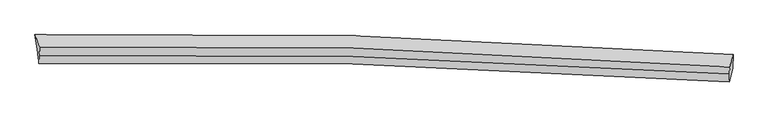
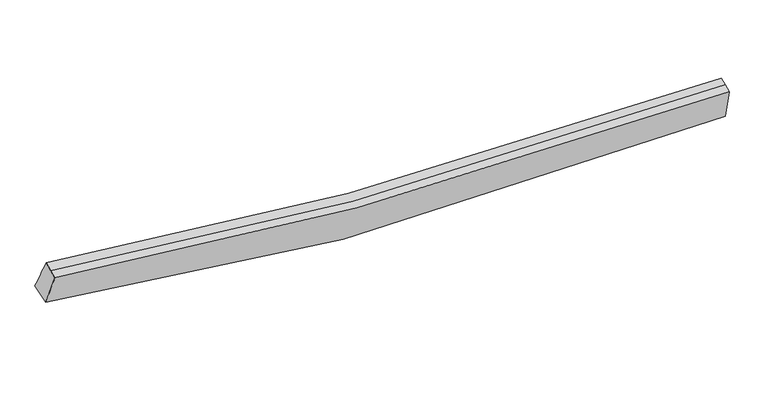
"""IFC4 building model written with IfcOpenShell, lengths in millimetres: proxy geometry."""

from ifc_helpers import new_model, si_unit, frame, origin, place, context, project, spatial, source, transform, mapped, element, save
from ifc_brep_helpers import plane_surface, spline_curve, spline_surface, advanced_brep


def generic_models_cd63080a(model_context):
    return source(origin(), model_context, "Body", "AdvancedBrep", [
        advanced_brep(
        [(-6462.2642201, -1939.0607144, 3092.2541169), (-6514.9710249, -1632.7043846, 3295.4993978), (7815.2685111, -2038.7050633, 2724.4670399), (7809.7171865, -2322.3591472, 2529.1863612), (-6434.1866397, -2226.7464886, 3809.1265601), (7734.7030553, -2607.3034632, 3272.9468179), (-6427.3680453, -2063.6838313, 3872.2856967), (7741.5216497, -2444.2408059, 3336.1059545), (-6419.965, -1886.6443747, 3940.8584736), (7747.7557931, -2295.1549477, 3393.8514509)],
        [
            (0, 1),
            (1, 2, spline_curve(3, [(-6514.9710249, -1632.7043846, 3295.4993978), (-4364.531831548, -1590.602259079, 2941.598652662), (-2206.695390344, -1595.443446668, 2709.063978668), (2566.715034702, -1709.606031543, 2463.984949921), (5185.625106374, -1840.09840383, 2506.175504423), (7815.2685111, -2038.7050633, 2724.4670399)], [4, 2, 4], [0.0, 21.372938501686953, 47.11815081044263])),
            (2, 3),
            (3, 0, spline_curve(3, [(7809.7171865, -2322.3591472, 2529.1863612), (5146.543450687, -2079.880685029, 2194.112840074), (2518.221565115, -1931.747176031, 2098.157007757), (-2228.273076467, -1833.30490409, 2360.167736678), (-4357.278326435, -1853.672267916, 2643.812822133), (-6462.2642201, -1939.0607144, 3092.2541169)], [4, 2, 4], [0.0, 25.745212308755676, 47.11815081044263])),
            (4, 0),
            (3, 5),
            (5, 4, spline_curve(3, [(7734.7030553, -2607.3034632, 3272.9468179), (5162.043403126, -2413.539957888, 3058.882587365), (2585.038315035, -2287.776524956, 3015.141139426), (-2139.275546025, -2182.059674945, 3246.806677567), (-4285.233688965, -2180.970782997, 3469.274705568), (-6434.1866397, -2226.7464886, 3809.1265601)], [4, 2, 4], [0.0, 25.59733198327966, 46.847504470683894])),
            (6, 4),
            (5, 7),
            (7, 6, spline_curve(3, [(7741.5216497, -2444.2408059, 3336.1059545), (5168.289347467, -2264.171896011, 3116.737389783), (2591.024502675, -2144.620373605, 3070.589879994), (-2133.192105348, -2036.577789845, 3303.15624502), (-4278.890492112, -2029.276987146, 3528.030336023), (-6427.3680453, -2063.6838313, 3872.2856967)], [4, 2, 4], [0.0, 25.47979248476316, 46.63238704415559])),
            (8, 6),
            (7, 9),
            (9, 8, spline_curve(3, [(7747.7557931, -2295.1549477, 3393.8514509), (5175.1260198, -2100.676918277, 3180.063977553), (2598.250808955, -1971.807530418, 3137.525561011), (-2125.642336554, -1856.029519743, 3373.088092073), (-4271.340723588, -1848.72871767, 3597.962182549), (-6419.965, -1886.6443747, 3940.8584736)], [4, 2, 4], [0.0, 25.47980957141576, 46.632418315658214])),
            (1, 8),
            (9, 2),
        ],
        [
            spline_surface(3, 3, [[(-6462.2642201, -1939.0607144, 3092.2541169), (-4357.278326124, -1853.672267878, 2643.812821974), (-2228.273076274, -1833.304903843, 2360.167737009), (2518.221564882, -1931.747176328, 2098.157007358), (5146.543450569, -2079.880684621, 2194.112840388), (7809.7171865, -2322.3591472, 2529.1863612)], [(-6479.833155053, -1836.941937815, 3160.00254389), (-4359.696161278, -1765.982264966, 2743.074765672), (-2221.080514377, -1754.017751461, 2476.466484306), (2534.386054985, -1857.700128062, 2220.099654764), (5159.570669117, -1999.953257582, 2298.133728381), (7811.567628033, -2227.807785885, 2594.279920751)], [(-6497.402089947, -1734.823161185, 3227.75097081), (-4362.113996372, -1678.29226201, 2842.336709299), (-2213.88795257, -1674.730599068, 2592.765231634), (2550.550544997, -1783.653079786, 2342.042302199), (5172.597887665, -1920.025830589, 2402.154616419), (7813.418069567, -2133.256424615, 2659.373480349)], [(-6514.9710249, -1632.7043846, 3295.4993978), (-4364.531831526, -1590.602259099, 2941.598652997), (-2206.695390674, -1595.443446687, 2709.063978932), (2566.715035099, -1709.60603152, 2463.984949604), (5185.625106212, -1840.09840355, 2506.175504411), (7815.2685111, -2038.7050633, 2724.4670399)]], [4, 4], [4, 2, 4], [0.0, 1.3985678625681885], [0.0, 21.372938501686953, 47.11815081044263]),
            spline_surface(3, 3, [[(-6434.1866397, -2226.7464886, 3809.1265601), (-4285.233688909, -2180.970783051, 3469.274705622), (-2139.275545851, -2182.059674887, 3246.806677247), (2585.038314825, -2287.776525026, 3015.141139812), (5162.043403445, -2413.539958051, 3058.882587448), (7734.7030553, -2607.3034632, 3272.9468179)], [(-6443.545833172, -2130.851230521, 3570.169079034), (-4309.248567986, -2071.871277981, 3194.120744406), (-2168.941389327, -2065.808084512, 2951.26036383), (2562.766064843, -2169.100075433, 2709.479762323), (5156.876752484, -2302.32020023, 2770.62600511), (7759.707765698, -2512.322024523, 3025.026665682)], [(-6452.905026628, -2034.955972479, 3331.211597966), (-4333.263447047, -1962.771772948, 2918.96678319), (-2198.607232798, -1949.556494218, 2655.714050426), (2540.493814865, -2050.423625921, 2403.818384847), (5151.710101529, -2191.100442442, 2482.369422726), (7784.712476102, -2417.340585877, 2777.106513418)], [(-6462.2642201, -1939.0607144, 3092.2541169), (-4357.278326124, -1853.672267878, 2643.812821974), (-2228.273076274, -1833.304903843, 2360.167737009), (2518.221564882, -1931.747176328, 2098.157007358), (5146.543450569, -2079.880684621, 2194.112840388), (7809.7171865, -2322.3591472, 2529.1863612)]], [4, 4], [4, 2, 4], [0.0, 3.1902519425815385], [0.0, 21.250172487404235, 46.847504470683894]),
            spline_surface(3, 3, [[(-6427.3680453, -2063.6838313, 3872.2856967), (-4278.89049246, -2029.276987051, 3528.030335767), (-2133.192105453, -2036.577789573, 3303.156245089), (2591.024502802, -2144.620373933, 3070.589879911), (5168.289347473, -2264.171896272, 3116.737389852), (7741.5216497, -2444.2408059, 3336.1059545)], [(-6429.640910077, -2118.038050426, 3851.232651155), (-4281.004891253, -2079.841585743, 3508.445125707), (-2135.219918922, -2085.071751346, 3284.373055811), (2589.029106808, -2192.339090966, 3052.106966548), (5166.207366153, -2313.961250224, 3097.452455705), (7739.248784923, -2498.595025026, 3315.052908955)], [(-6431.913774923, -2172.392269474, 3830.179605645), (-4283.119290116, -2130.406184359, 3488.859915682), (-2137.247732383, -2133.565713114, 3265.589866525), (2587.03371082, -2240.057807993, 3033.624053176), (5164.125384764, -2363.750604099, 3078.167521595), (7736.975920077, -2552.949244074, 3293.999863445)], [(-6434.1866397, -2226.7464886, 3809.1265601), (-4285.233688909, -2180.970783051, 3469.274705622), (-2139.275545851, -2182.059674887, 3246.806677247), (2585.038314825, -2287.776525026, 3015.141139812), (5162.043403445, -2413.539958051, 3058.882587448), (7734.7030553, -2607.3034632, 3272.9468179)]], [4, 4], [4, 2, 4], [0.0, 0.5079602701145639], [0.0, 21.152594559392433, 46.63238704415559]),
            spline_surface(3, 3, [[(-6419.965, -1886.6443747, 3940.8584736), (-4271.340723362, -1848.728717449, 3597.962182876), (-2125.642336455, -1856.029519971, 3373.088092198), (2598.250808836, -1971.807530145, 3137.525560861), (5175.12601963, -2100.676918612, 3180.063977345), (7747.7557931, -2295.1549477, 3393.8514509)], [(-6422.432681758, -1945.657526893, 3918.000881294), (-4273.857313052, -1908.911473976, 3574.651567167), (-2128.158926146, -1916.212276498, 3349.777476488), (2595.842040133, -2029.411811401, 3115.213667205), (5172.847128915, -2155.17524449, 3158.955114863), (7745.677745304, -2344.850233758, 3374.602952116)], [(-6424.900363542, -2004.670679107, 3895.143289006), (-4276.373902769, -1969.094230524, 3551.340951477), (-2130.675515763, -1976.395033045, 3326.466860798), (2593.433271505, -2087.016092677, 3092.901773568), (5170.568238188, -2209.673570395, 3137.846252334), (7743.599697496, -2394.545519842, 3355.354453284)], [(-6427.3680453, -2063.6838313, 3872.2856967), (-4278.89049246, -2029.276987051, 3528.030335767), (-2133.192105453, -2036.577789573, 3303.156245089), (2591.024502802, -2144.620373933, 3070.589879911), (5168.289347473, -2264.171896272, 3116.737389852), (7741.5216497, -2444.2408059, 3336.1059545)]], [4, 4], [4, 2, 4], [0.0, 0.6191807262817154], [0.0, 21.152608744242453, 46.632418315658214]),
            spline_surface(3, 3, [[(-6514.9710249, -1632.7043846, 3295.4993978), (-4364.531831526, -1590.602259099, 2941.598652997), (-2206.695390674, -1595.443446687, 2709.063978932), (2566.715035099, -1709.60603152, 2463.984949604), (5185.625106212, -1840.09840355, 2506.175504411), (7815.2685111, -2038.7050633, 2724.4670399)], [(-6483.30234994, -1717.351047945, 3510.619089728), (-4333.468128811, -1676.644411861, 3160.386496285), (-2179.677705935, -1682.305471143, 2930.405350038), (2577.226959677, -1797.00653109, 2688.498486708), (5182.12541066, -1926.957908581, 2730.804995385), (7792.764271742, -2124.18835811, 2947.595176896)], [(-6451.63367496, -1801.997711355, 3725.738781672), (-4302.404426076, -1762.686564687, 3379.174339588), (-2152.660021193, -1769.167495514, 3151.746721091), (2587.738884258, -1884.407030575, 2913.012023757), (5178.625715182, -2013.817413582, 2955.434486371), (7770.260032458, -2209.67165289, 3170.723313904)], [(-6419.965, -1886.6443747, 3940.8584736), (-4271.340723362, -1848.728717449, 3597.962182876), (-2125.642336455, -1856.029519971, 3373.088092198), (2598.250808836, -1971.807530145, 3137.525560861), (5175.12601963, -2100.676918612, 3180.063977345), (7747.7557931, -2295.1549477, 3393.8514509)]], [4, 4], [4, 2, 4], [0.0, 2.364316805768414], [0.0, 21.27516543793995, 46.90260319341904]),
            plane_surface(frame((7776.8611365, -2315.8806554, 2980.1129175), z_axis=(0.9948313821686949, -0.07006591853653311, 0.07349345625262192), x_axis=(-0.03896339617735309, -0.9317866135810003, -0.3609093522057556))),
            spline_surface(1, 1, [[(-6462.2642201, -1939.0607144, 3092.2541169), (-6514.9710249, -1632.7043846, 3295.4993978)], [(-6434.1866397, -2226.7464886, 3809.1265601), (-6419.965, -1886.6443747, 3940.8584736)]], [2, 2], [2, 2], [0.0, 1.0], [0.0, 1.0]),
        ],
        [
            (0, [[1, 2, 3, 4]]),
            (1, [[5, -4, 6, 7]]),
            (2, [[8, -7, 9, 10]]),
            (3, [[11, -10, 12, 13]]),
            (4, [[14, -13, 15, -2]]),
            (5, [[-9, -6, -3, -15, -12]]),
            (6, [[-1, -5, -8, -11, -14]]),
        ],
    ),
    ])


if __name__ == "__main__":
    model = new_model("IFC4")
    model_context = context("Model", 3, world=origin())
    ifc_project = project(units=[si_unit("LENGTHUNIT", "METRE", prefix="MILLI")], contexts=[model_context])
    site = spatial("IfcSite", under=ifc_project)
    building = spatial("IfcBuilding", under=site)
    placement = place(None, origin())
    generic_models_shape = generic_models_cd63080a(model_context)
    element("IfcBuildingElementProxy", 1, Name="Generic Models", at=placement, inside=building, context=model_context, shape_type="MappedRepresentation", body=[
        mapped(generic_models_shape, transform((0.0, 0.0, 0.0), x_axis=(1.0, 0.0, 0.0), y_axis=(0.0, 1.0, 0.0), z_axis=(0.0, 0.0, 1.0))),
    ])
    save(model, "model.ifc")
